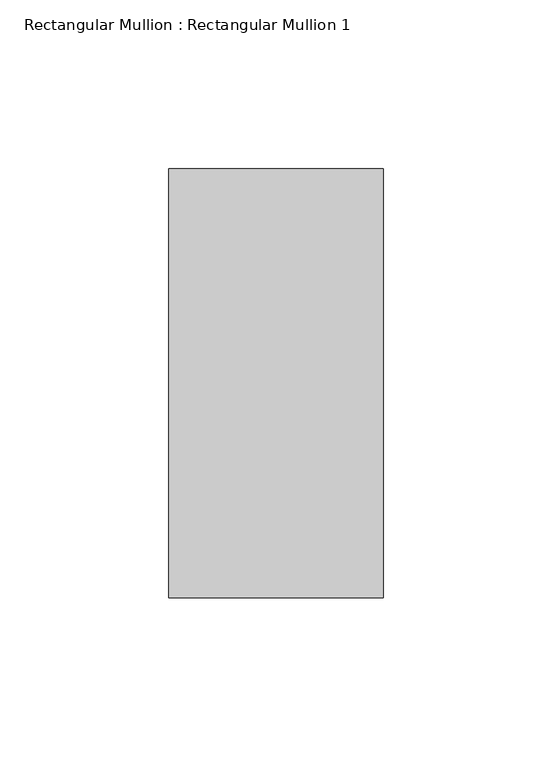
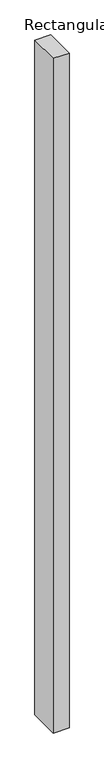
"""IFC4 building model written with IfcOpenShell, lengths in millimetres: member geometry, Rectangular Mullion : Rectangular Mullion 1."""

import ifcopenshell
import ifcopenshell.guid

model = None  # the IFC model being written
_history = None  # IfcOwnerHistory: only IFC2X3 demands one
_inside = {}  # id of a spatial element -> (the spatial element, [elements in it])
_under = {}  # id of a project, library or spatial element -> (it, [spatial elements below it])
_declared = {}  # id of a project -> (the project, [libraries it declares])
_typed = {}  # id of a type object -> (the type object, [elements of that type])
_made_of = {}  # id of a material, layer set ... -> (it, [elements and type objects made of it])


def new_model(schema):
    """Start an empty IFC model of exactly this schema.

    Asked for "IFC4X3", IfcOpenShell would pick the latest addendum, in which some entities
    have other attributes; the version numbers below select the first issue.
    IFC2X3 requires an IfcOwnerHistory on every rooted entity: one is made here for all.
    """
    global model, _history
    if schema == "IFC4X3":
        model = ifcopenshell.file(schema_version=(4, 3, 0, 0))
    else:
        model = ifcopenshell.file(schema=schema)
    _inside.clear()
    _under.clear()
    _declared.clear()
    _typed.clear()
    _made_of.clear()
    _history = None
    if model.schema == "IFC2X3":
        org = make("IfcOrganization", Name="unknown")
        user = make(
            "IfcPersonAndOrganization",
            ThePerson=make("IfcPerson", FamilyName="unknown"),
            TheOrganization=org,
        )
        app = make(
            "IfcApplication",
            ApplicationDeveloper=org,
            Version="unknown",
            ApplicationFullName="unknown",
            ApplicationIdentifier="unknown",
        )
        _history = make(
            "IfcOwnerHistory",
            OwningUser=user,
            OwningApplication=app,
            ChangeAction="ADDED",
            CreationDate=0,
        )
    return model


def make(cls, **values):
    """One entity of the class cls with the attributes given. An attribute that is None is left unset."""
    return model.create_entity(
        cls, **{name: value for name, value in values.items() if value is not None}
    )


def rooted(cls, **values):
    """An entity with a GlobalId (a new one), such as an element, a storey or a relation."""
    return make(cls, GlobalId=ifcopenshell.guid.new(), OwnerHistory=_history, **values)


def si_unit(unit_type, name, prefix=None):
    """IfcSIUnit, for example si_unit("LENGTHUNIT", "METRE", prefix="MILLI")."""
    return make("IfcSIUnit", UnitType=unit_type, Prefix=prefix, Name=name)


def assignment(units):
    """IfcUnitAssignment: the units of a project."""
    return None if units is None else make("IfcUnitAssignment", Units=units)


def point(xyz):
    """IfcCartesianPoint."""
    return None if xyz is None else make("IfcCartesianPoint", Coordinates=xyz)


def direction(xyz):
    """IfcDirection."""
    return None if xyz is None else make("IfcDirection", DirectionRatios=xyz)


def frame(location, z_axis=None, x_axis=None):
    """IfcAxis2Placement3D, a coordinate frame: its origin and axes. An axis left out is left unset."""
    return make(
        "IfcAxis2Placement3D",
        Location=point(location),
        Axis=direction(z_axis),
        RefDirection=direction(x_axis),
    )


def origin():
    """The frame at (0, 0, 0) with its axes left unset."""
    return frame((0.0, 0.0, 0.0))


def place(relative_to, where):
    """IfcLocalPlacement: puts the frame where relative to a parent placement (None: the world)."""
    return make(
        "IfcLocalPlacement", PlacementRelTo=relative_to, RelativePlacement=where
    )


def context(
    kind, dimensions, precision=None, world=None, true_north=None, identifier=None
):
    """IfcGeometricRepresentationContext, for example the 3D "Model" context."""
    return make(
        "IfcGeometricRepresentationContext",
        ContextIdentifier=identifier,
        ContextType=kind,
        CoordinateSpaceDimension=dimensions,
        Precision=precision,
        WorldCoordinateSystem=world,
        TrueNorth=true_north,
    )


def project(units=None, contexts=None):
    """IfcProject with its units and contexts."""
    return rooted(
        "IfcProject",
        Name="project",
        RepresentationContexts=contexts,
        UnitsInContext=assignment(units),
    )


def spatial(cls, under=None, at=None, **own):
    """A site, building, storey or space (cls), placed at a placement, below another one or the project."""
    s = rooted(cls, ObjectPlacement=at, **own)
    if under is not None:
        _under.setdefault(under.id(), (under, []))[1].append(s)
    return s


def polyline(points):
    """IfcPolyline through the points."""
    return make("IfcPolyline", Points=[point(p) for p in points])


def outline(outer, holes=None, kind="AREA"):
    """IfcArbitraryClosedProfileDef: a profile drawn as a closed curve; with holes, ...WithVoids."""
    if holes is None:
        return make("IfcArbitraryClosedProfileDef", ProfileType=kind, OuterCurve=outer)
    return make(
        "IfcArbitraryProfileDefWithVoids",
        ProfileType=kind,
        OuterCurve=outer,
        InnerCurves=holes,
    )


def extrude(swept, where, along, depth):
    """IfcExtrudedAreaSolid: the profile swept, set in the frame where, extruded along a direction by depth."""
    return make(
        "IfcExtrudedAreaSolid",
        SweptArea=swept,
        Position=where,
        ExtrudedDirection=direction(along),
        Depth=depth,
    )


def shape(context_of_items, identifier, shape_type, items):
    """IfcShapeRepresentation: the items that make up one representation, for example the "Body"."""
    return make(
        "IfcShapeRepresentation",
        ContextOfItems=context_of_items,
        RepresentationIdentifier=identifier,
        RepresentationType=shape_type,
        Items=items,
    )


def source(mapping_origin, context_of_items, identifier, shape_type, items):
    """IfcRepresentationMap: a shape defined once, which mapped items show again and again."""
    return make(
        "IfcRepresentationMap",
        MappingOrigin=mapping_origin,
        MappedRepresentation=shape(context_of_items, identifier, shape_type, items),
    )


def transform(
    local_origin,
    x_axis=None,
    y_axis=None,
    z_axis=None,
    scale=None,
    scale2=None,
    scale3=None,
    uniform=True,
):
    """IfcCartesianTransformationOperator3D, or its non-uniform kind. x_axis, y_axis, z_axis: its Axis1, 2, 3."""
    if uniform:
        return make(
            "IfcCartesianTransformationOperator3D",
            Axis1=direction(x_axis),
            Axis2=direction(y_axis),
            LocalOrigin=point(local_origin),
            Scale=scale,
            Axis3=direction(z_axis),
        )
    return make(
        "IfcCartesianTransformationOperator3DnonUniform",
        Axis1=direction(x_axis),
        Axis2=direction(y_axis),
        LocalOrigin=point(local_origin),
        Scale=scale,
        Axis3=direction(z_axis),
        Scale2=scale2,
        Scale3=scale3,
    )


def mapped(mapping_source, mapping_target):
    """IfcMappedItem: shows the shape of a source again, moved by a transform."""
    return make(
        "IfcMappedItem", MappingSource=mapping_source, MappingTarget=mapping_target
    )


def made_of(thing, what):
    """Note that an element or type object is made of a material, layer set ...; save() writes the relation."""
    if what is not None:
        _made_of.setdefault(what.id(), (what, []))[1].append(thing)
    return thing


def element(
    cls,
    number,
    at=None,
    inside=None,
    cuts=None,
    type_object=None,
    material=None,
    context=None,
    identifier="Body",
    shape_type=None,
    held_by="IfcProductDefinitionShape",
    body=None,
    shapes=None,
    **own,
):
    """One element of the class cls, such as IfcWall. Its Tag is "e" and its number.

    at: its placement. inside: the storey or other place that contains it. cuts: it is an
    opening in that element (IfcRelVoidsElement). A single representation is given by context,
    identifier, shape_type and body (its items); several are given by shapes. held_by: the class
    of the entity that holds the representations. save() writes the other relations.
    """
    e = rooted(cls, Tag="e%d" % number, ObjectPlacement=at, **own)
    if body is not None:
        shapes = [shape(context, identifier, shape_type, body)]
    if shapes is not None:
        e.Representation = make(held_by, Representations=shapes)
    if inside is not None:
        _inside.setdefault(inside.id(), (inside, []))[1].append(e)
    if cuts is not None:
        rooted(
            "IfcRelVoidsElement", RelatingBuildingElement=cuts, RelatedOpeningElement=e
        )
    if type_object is not None:
        _typed.setdefault(type_object.id(), (type_object, []))[1].append(e)
    return made_of(e, material)


def aggregate(whole, parts):
    """IfcRelAggregates: a whole, such as a stair, and the parts it consists of."""
    return rooted("IfcRelAggregates", RelatingObject=whole, RelatedObjects=parts)


def save(model, path):
    """Write the relations noted so far, then the file.

    IfcRelAggregates (storeys below a building ...), IfcRelContainedInSpatialStructure (elements
    in a storey), IfcRelDefinesByType, IfcRelAssociatesMaterial and IfcRelDeclares: one each for
    every whole, place, type object, material and project.
    """
    for whole, parts in _under.values():
        aggregate(whole, parts)
    for where, things in _inside.values():
        rooted(
            "IfcRelContainedInSpatialStructure",
            RelatedElements=things,
            RelatingStructure=where,
        )
    for kind, things in _typed.values():
        rooted("IfcRelDefinesByType", RelatedObjects=things, RelatingType=kind)
    for what, things in _made_of.values():
        rooted("IfcRelAssociatesMaterial", RelatedObjects=things, RelatingMaterial=what)
    for by, libraries in _declared.values():
        rooted("IfcRelDeclares", RelatingContext=by, RelatedDefinitions=libraries)
    model.write(path)


def rectangular_mullion_rectangular_mullion_1_20c2141c(model_context):
    return source(origin(), model_context, "Body", "SweptSolid", [
        extrude(outline(polyline([(31.75, 63.5), (31.75, -63.5), (-31.75, -63.5), (-31.75, 63.5), (31.75, 63.5)])), frame((0.0, 0.0, -2857.8772727), z_axis=(0.0, 0.0, 1.0), x_axis=(1.0, 0.0, 0.0)), (0.0, 0.0, 1.0), 2857.8772727),
    ])


if __name__ == "__main__":
    model = new_model("IFC4")
    model_context = context("Model", 3, world=origin())
    ifc_project = project(units=[si_unit("LENGTHUNIT", "METRE", prefix="MILLI")], contexts=[model_context])
    site = spatial("IfcSite", under=ifc_project)
    building = spatial("IfcBuilding", under=site)
    placement = place(None, origin())
    rectangular_mullion_rectangular_mullion_1_shape = rectangular_mullion_rectangular_mullion_1_20c2141c(model_context)
    element("IfcMember", 1, ObjectType="Rectangular Mullion : Rectangular Mullion 1", at=placement, inside=building, context=model_context, shape_type="MappedRepresentation", body=[
        mapped(rectangular_mullion_rectangular_mullion_1_shape, transform((0.0, 0.0, 0.0), x_axis=(1.0, 0.0, 0.0), y_axis=(0.0, 1.0, 0.0), z_axis=(0.0, 0.0, 1.0))),
    ])
    save(model, "model.ifc")
